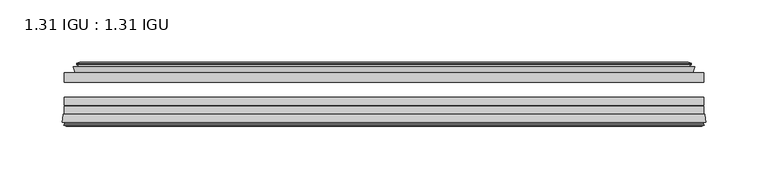
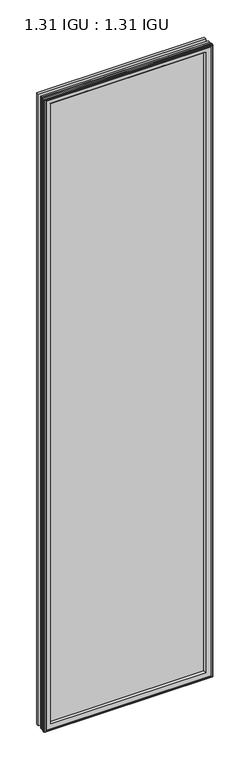
"""IFC4 building model written with IfcOpenShell, lengths in millimetres: plate geometry, 1.31 IGU : 1.31 IGU."""

from ifc_helpers import new_model, si_unit, frame, origin, place, context, project, spatial, polyline, ellipse_curve, outline, extrude, faceted_brep, source, transform, mapped, element, save
from ifc_brep_helpers import plane_surface, revolved_surface, advanced_brep


def plate_1_31_igu_1_31_igu_dabf7a0a(model_context):
    return source(origin(), model_context, "Body", "SolidModel", [
        extrude(outline(polyline([(256.3471354, -17.9712937), (256.3471354, -25.8960937), (-256.3471354, -25.8960937), (-256.3471354, -17.9712937), (256.3471354, -17.9712937)])), frame((0.0, 0.0, -19.05), z_axis=(0.0, 0.0, 1.0), x_axis=(1.0, 0.0, 0.0)), (0.0, 0.0, 1.0), 2044.7),
        extrude(outline(polyline([(-256.3471354, -51.2960937), (-256.3471354, -44.9460937), (256.3471354, -44.9460937), (256.3471354, -51.2960937), (-256.3471354, -51.2960937)])), frame((0.0, 0.0, -19.05), z_axis=(0.0, 0.0, 1.0), x_axis=(1.0, 0.0, 0.0)), (0.0, 0.0, 1.0), 2044.7),
        extrude(outline(polyline([(-256.3471354, -44.1586938), (-256.3471354, -37.8086938), (256.3471354, -37.8086938), (256.3471354, -44.1586938), (-256.3471354, -44.1586938)])), frame((0.0, 0.0, -19.05), z_axis=(0.0, 0.0, 1.0), x_axis=(1.0, 0.0, 0.0)), (0.0, 0.0, 1.0), 2044.7),
        faceted_brep([(-247.4285358, -17.9712937, 2016.7314005), (-249.0727691, -13.1960937, 2018.3756337), (-249.0727691, -13.1960937, -11.7756337), (-247.4285358, -17.9712937, -10.1314005), (-237.8178354, -13.1960937, 2007.1207), (-236.6484048, -17.9712937, 2005.9512695), (-236.6484048, -17.9712937, 0.6487305), (-237.8178354, -13.1960937, -0.5207), (-243.3825556, -10.902778, 2012.6854203), (-242.7680635, -13.1960937, 2012.0709281), (-242.7680635, -13.1960937, -5.4709281), (-243.3825556, -10.902778, -6.0854203), (-241.9903063, -11.27583, 2011.2931709), (-241.9903063, -11.27583, -4.6931709), (-241.758989, -10.4125422, 2011.0618537), (-241.758989, -10.4125422, -4.4618537), (-244.1678354, -9.7670937, 2013.4707), (-244.1678354, -9.7670937, -6.8707), (-246.5766817, -10.4125422, 2015.8795463), (-246.5766817, -10.4125422, -9.2795463), (-246.3453644, -11.27583, 2015.6482291), (-246.3453644, -11.27583, -9.0482291), (-244.9585368, -10.9042307, 2014.2614014), (-244.9585368, -10.9042307, -7.6614014), (-245.7032082, -13.1960937, 2015.0060729), (-245.7032082, -13.1960937, -8.4060729), (249.0727691, -13.1960937, -11.7756337), (247.4285358, -17.9712937, -10.1314005), (236.6484048, -17.9712937, 0.6487305), (237.8178354, -13.1960937, -0.5207), (242.7680635, -13.1960937, -5.4709281), (243.3825556, -10.902778, -6.0854203), (241.9903063, -11.27583, -4.6931709), (241.758989, -10.4125422, -4.4618537), (244.1678354, -9.7670937, -6.8707), (246.5766817, -10.4125422, -9.2795463), (246.3453644, -11.27583, -9.0482291), (244.9585368, -10.9042307, -7.6614014), (245.7032082, -13.1960937, -8.4060729), (249.0727691, -13.1960937, 2018.3756337), (247.4285358, -17.9712937, 2016.7314005), (236.6484048, -17.9712937, 2005.9512695), (237.8178354, -13.1960937, 2007.1207), (242.7680635, -13.1960937, 2012.0709281), (243.3825556, -10.902778, 2012.6854203), (241.9903063, -11.27583, 2011.2931709), (241.758989, -10.4125422, 2011.0618537), (244.1678354, -9.7670937, 2013.4707), (246.5766817, -10.4125422, 2015.8795463), (246.3453644, -11.27583, 2015.6482291), (244.9585368, -10.9042307, 2014.2614014), (245.7032082, -13.1960937, 2015.0060729)], [[[0, 1, 2, 3]], [[4, 5, 6, 7]], [[8, 9, 10, 11]], [[12, 8, 11, 13]], [[14, 12, 13, 15]], [[16, 14, 15, 17]], [[18, 16, 17, 19]], [[20, 18, 19, 21]], [[22, 20, 21, 23]], [[24, 22, 23, 25]], [[3, 2, 26, 27]], [[7, 6, 28, 29]], [[11, 10, 30, 31]], [[13, 11, 31, 32]], [[15, 13, 32, 33]], [[17, 15, 33, 34]], [[19, 17, 34, 35]], [[21, 19, 35, 36]], [[23, 21, 36, 37]], [[25, 23, 37, 38]], [[27, 26, 39, 40]], [[29, 28, 41, 42]], [[31, 30, 43, 44]], [[32, 31, 44, 45]], [[33, 32, 45, 46]], [[34, 33, 46, 47]], [[35, 34, 47, 48]], [[36, 35, 48, 49]], [[37, 36, 49, 50]], [[38, 37, 50, 51]], [[40, 39, 1, 0]], [[3, 27, 40, 0], [5, 41, 28, 6]], [[42, 41, 5, 4]], [[9, 43, 30, 10], [7, 29, 42, 4]], [[44, 43, 9, 8]], [[45, 44, 8, 12]], [[46, 45, 12, 14]], [[47, 46, 14, 16]], [[48, 47, 16, 18]], [[49, 48, 18, 20]], [[50, 49, 20, 22]], [[51, 50, 22, 24]], [[1, 39, 26, 2], [25, 38, 51, 24]]]),
        advanced_brep(
        [(-233.6598204, -51.2960937, 2002.9626851), (-237.2971354, -57.6460937, 2006.6), (-237.2971354, -57.6460937, 0.0), (-233.6598204, -51.2960937, 3.6373149), (-257.9429137, -57.6460937, 2027.2457783), (-257.1632317, -51.2960937, 2026.4660964), (-257.1632317, -51.2960937, -19.8660964), (-257.9429137, -57.6460937, -20.6457783), (-255.5429098, -59.6558685, 2024.8457744), (-256.0019366, -57.6460937, 2025.3048013), (-256.0019366, -57.6460937, -18.7048013), (-255.5429098, -59.6558685, -18.2457744), (-256.5265941, -59.3738016, 2025.8294588), (-256.5265941, -59.3738016, -19.2294588), (-256.7800786, -60.2578071, 2026.0829433), (-256.7800786, -60.2578071, -19.4829433), (-254.7571351, -60.8378768, 2024.0599998), (-254.7571351, -60.8378768, -17.4599998), (-252.7134743, -60.2902795, 2022.0163389), (-252.7134743, -60.2902795, -15.4163389), (-252.9583436, -59.3764147, 2022.2612083), (-252.9583436, -59.3764147, -15.6612083), (-253.9809774, -59.6504286, 2023.2838421), (-253.9809774, -59.6504286, -16.6838421), (-253.5182403, -57.6460937, 2022.8211049), (-253.5182403, -57.6460937, -16.2211049), (237.2971354, -57.6460938, 0.0), (233.6598204, -51.2960937, 3.6373149), (257.1632317, -51.2960937, -19.8660964), (257.9429137, -57.6460938, -20.6457783), (256.0019366, -57.6460938, -18.7048013), (255.5429098, -59.6558685, -18.2457744), (256.5265941, -59.3738016, -19.2294588), (256.7800786, -60.2578071, -19.4829433), (254.7571351, -60.8378768, -17.4599998), (252.7134743, -60.2902795, -15.4163389), (252.9583436, -59.3764147, -15.6612083), (253.9809774, -59.6504286, -16.6838421), (253.5182403, -57.6460938, -16.2211049), (237.2971354, -57.6460938, 2006.6), (233.6598204, -51.2960937, 2002.9626851), (257.1632317, -51.2960937, 2026.4660964), (257.9429137, -57.6460938, 2027.2457783), (256.0019366, -57.6460938, 2025.3048013), (255.5429098, -59.6558685, 2024.8457744), (256.5265941, -59.3738016, 2025.8294588), (256.7800786, -60.2578071, 2026.0829433), (254.7571351, -60.8378768, 2024.0599998), (252.7134743, -60.2902795, 2022.0163389), (252.9583436, -59.3764147, 2022.2612083), (253.9809774, -59.6504286, 2023.2838421), (253.5182403, -57.6460938, 2022.8211049)],
        [
            (0, 1, ellipse_curve(frame((-228.8661903, -58.2586484, 1998.169055), z_axis=(0.7071067811865475, 0.0, 0.7071067811865475), x_axis=(0.7071067811865474, 0.0, -0.7071067811865476)), 11.9545855, 8.4531685)),
            (1, 2),
            (2, 3, ellipse_curve(frame((-228.8661903, -58.2586484, 8.430945), z_axis=(0.7071067811865475, 0.0, -0.7071067811865475), x_axis=(-0.7071067811865474, 0.0, -0.7071067811865476)), 11.9545855, 8.4531685)),
            (3, 0),
            (4, 5),
            (5, 6),
            (6, 7),
            (7, 4),
            (8, 9),
            (9, 10),
            (10, 11),
            (11, 8),
            (12, 8),
            (11, 13),
            (13, 12),
            (14, 12),
            (13, 15),
            (15, 14),
            (16, 14),
            (15, 17),
            (17, 16),
            (18, 16),
            (17, 19),
            (19, 18),
            (20, 18),
            (19, 21),
            (21, 20),
            (22, 20),
            (21, 23),
            (23, 22),
            (24, 22),
            (23, 25),
            (25, 24),
            (2, 26),
            (26, 27, ellipse_curve(frame((228.8661903, -58.2586484, 8.430945), z_axis=(0.7071067811865475, 0.0, 0.7071067811865475), x_axis=(0.7071067811865476, 0.0, -0.7071067811865474)), 11.9545855, 8.4531685)),
            (27, 3),
            (6, 28),
            (28, 29),
            (29, 7),
            (10, 30),
            (30, 31),
            (31, 11),
            (31, 32),
            (32, 13),
            (32, 33),
            (33, 15),
            (33, 34),
            (34, 17),
            (34, 35),
            (35, 19),
            (35, 36),
            (36, 21),
            (36, 37),
            (37, 23),
            (37, 38),
            (38, 25),
            (26, 39),
            (39, 40, ellipse_curve(frame((228.8661903, -58.2586484, 1998.169055), z_axis=(-0.7071067811865475, 0.0, 0.7071067811865475), x_axis=(0.7071067811865474, 0.0, 0.7071067811865476)), 11.9545855, 8.4531685)),
            (40, 27),
            (28, 41),
            (41, 42),
            (42, 29),
            (30, 43),
            (43, 44),
            (44, 31),
            (44, 45),
            (45, 32),
            (45, 46),
            (46, 33),
            (46, 47),
            (47, 34),
            (47, 48),
            (48, 35),
            (48, 49),
            (49, 36),
            (49, 50),
            (50, 37),
            (50, 51),
            (51, 38),
            (51, 24),
            (1, 39),
            (0, 40),
            (5, 41),
            (4, 42),
            (9, 43),
            (8, 44),
            (12, 45),
            (14, 46),
            (16, 47),
            (18, 48),
            (20, 49),
            (22, 50),
        ],
        [
            revolved_surface(polyline([(-237.3193588, -58.2586484, -0.02222347332440222), (-237.3193588, -58.2586484, 2006.6222234733245)]), (-228.8661903, -58.2586484, 2038.35), (0.0, 0.0, -1.0)),
            plane_surface(frame((-257.1632317, -51.2960937, 2026.4660964), z_axis=(-0.9925461516413234, 0.12186934340513637, 0.0), x_axis=(0.0, 0.0, -1.0))),
            plane_surface(frame((-256.0019366, -57.6460937, 2025.3048013), z_axis=(-0.9748953990049445, -0.22266333555165796, 0.0), x_axis=(0.0, 0.0, -1.0))),
            plane_surface(frame((-255.5429098, -59.6558685, 2024.8457744), z_axis=(0.27563735581726606, 0.9612616959382424, 0.0), x_axis=(0.0, 0.0, -1.0))),
            plane_surface(frame((-256.5265941, -59.3738016, 2025.8294588), z_axis=(-0.9612616959382463, 0.2756373558172523, 0.0), x_axis=(0.0, 0.0, -1.0))),
            plane_surface(frame((-256.7800786, -60.2578071, 2026.0829433), z_axis=(-0.2756373558170135, -0.9612616959383148, 0.0), x_axis=(0.0, 0.0, -1.0))),
            plane_surface(frame((-254.7571351, -60.8378768, 2024.0599998), z_axis=(0.25881904510226056, -0.965925826289138, 0.0), x_axis=(0.0, 0.0, -1.0))),
            plane_surface(frame((-252.7134743, -60.2902795, 2022.0163389), z_axis=(0.9659258262891444, 0.25881904510223736, 0.0), x_axis=(0.0, 0.0, -1.0))),
            plane_surface(frame((-252.9583436, -59.3764147, 2022.2612083), z_axis=(-0.2588190451025015, 0.9659258262890735, 0.0), x_axis=(0.0, 0.0, -1.0))),
            plane_surface(frame((-253.9809774, -59.6504286, 2023.2838421), z_axis=(0.9743700647852117, -0.22495105434396695, 0.0), x_axis=(0.0, 0.0, -1.0))),
            revolved_surface(polyline([(237.31935877332432, -58.2586484, -0.02222350000000084), (-237.31935877332438, -58.2586484, -0.02222350000000084)]), (-269.0471354, -58.2586484, 8.430945), (1.0, 0.0, 0.0)),
            plane_surface(frame((-257.1632317, -51.2960937, -19.8660964), z_axis=(0.0, 0.12186934340513315, -0.9925461516413239), x_axis=(1.0, 0.0, 0.0))),
            plane_surface(frame((-256.0019366, -57.6460937, -18.7048013), z_axis=(0.0, -0.22266333555166112, -0.9748953990049438), x_axis=(1.0, 0.0, 0.0))),
            plane_surface(frame((-255.5429098, -59.6558685, -18.2457744), z_axis=(0.0, 0.9612616959382433, 0.27563735581726295), x_axis=(1.0, 0.0, 0.0))),
            plane_surface(frame((-256.5265941, -59.3738016, -19.2294588), z_axis=(0.0, 0.2756373558172492, -0.9612616959382472), x_axis=(1.0, 0.0, 0.0))),
            plane_surface(frame((-256.7800786, -60.2578071, -19.4829433), z_axis=(0.0, -0.9612616959383157, -0.2756373558170104), x_axis=(1.0, 0.0, 0.0))),
            plane_surface(frame((-254.7571351, -60.8378768, -17.4599998), z_axis=(0.0, -0.9659258262891373, 0.2588190451022637), x_axis=(1.0, 0.0, 0.0))),
            plane_surface(frame((-252.7134743, -60.2902795, -15.4163389), z_axis=(0.0, 0.25881904510224046, 0.9659258262891435), x_axis=(1.0, 0.0, 0.0))),
            plane_surface(frame((-252.9583436, -59.3764147, -15.6612083), z_axis=(0.0, 0.9659258262890726, -0.2588190451025046), x_axis=(1.0, 0.0, 0.0))),
            plane_surface(frame((-253.9809774, -59.6504286, -16.6838421), z_axis=(0.0, -0.22495105434396379, 0.9743700647852125), x_axis=(1.0, 0.0, 0.0))),
            revolved_surface(polyline([(237.3193588, -58.2586484, 2006.6222234733245), (237.3193588, -58.2586484, -0.022223473324370246)]), (228.8661903, -58.2586484, -31.75), (0.0, 0.0, 1.0)),
            plane_surface(frame((257.1632317, -51.2960937, -19.8660964), z_axis=(0.9925461516413243, 0.12186934340512993, 0.0), x_axis=(0.0, 0.0, 1.0))),
            plane_surface(frame((256.0019366, -57.6460938, -18.7048013), z_axis=(0.9748953990049432, -0.2226633355516643, 0.0), x_axis=(0.0, 0.0, 1.0))),
            plane_surface(frame((255.5429098, -59.6558685, -18.2457744), z_axis=(-0.27563735581725984, 0.9612616959382442, 0.0), x_axis=(0.0, 0.0, 1.0))),
            plane_surface(frame((256.5265941, -59.3738016, -19.2294588), z_axis=(0.9612616959382481, 0.2756373558172461, 0.0), x_axis=(0.0, 0.0, 1.0))),
            plane_surface(frame((256.7800786, -60.2578071, -19.4829433), z_axis=(0.27563735581700727, -0.9612616959383166, 0.0), x_axis=(0.0, 0.0, 1.0))),
            plane_surface(frame((254.7571351, -60.8378768, -17.4599998), z_axis=(-0.25881904510226683, -0.9659258262891364, 0.0), x_axis=(0.0, 0.0, 1.0))),
            plane_surface(frame((252.7134743, -60.2902795, -15.4163389), z_axis=(-0.9659258262891426, 0.2588190451022436, 0.0), x_axis=(0.0, 0.0, 1.0))),
            plane_surface(frame((252.9583436, -59.3764147, -15.6612083), z_axis=(0.2588190451025077, 0.9659258262890718, 0.0), x_axis=(0.0, 0.0, 1.0))),
            plane_surface(frame((253.9809774, -59.6504286, -16.6838421), z_axis=(-0.9743700647852133, -0.22495105434396062, 0.0), x_axis=(0.0, 0.0, 1.0))),
            plane_surface(frame((253.5182403, -57.6460938, 2022.8211049), z_axis=(0.0, -1.0, 0.0), x_axis=(-1.0, 0.0, 0.0))),
            revolved_surface(polyline([(-237.31935877332432, -58.2586484, 2006.6222235), (237.31935877332438, -58.2586484, 2006.6222235)]), (269.0471354, -58.2586484, 1998.169055), (-1.0, 0.0, 0.0)),
            plane_surface(frame((233.6598204, -51.2960937, 2002.9626851), z_axis=(0.0, 1.0, 0.0), x_axis=(-1.0, 0.0, 0.0))),
            plane_surface(frame((257.1632317, -51.2960937, 2026.4660964), z_axis=(0.0, 0.12186934340513315, 0.9925461516413239), x_axis=(-1.0, 0.0, 0.0))),
            plane_surface(frame((257.9429137, -57.6460938, 2027.2457783), z_axis=(0.0, -1.0, 0.0), x_axis=(-1.0, 0.0, 0.0))),
            plane_surface(frame((256.0019366, -57.6460938, 2025.3048013), z_axis=(0.0, -0.22266333555166112, 0.9748953990049438), x_axis=(-1.0, 0.0, 0.0))),
            plane_surface(frame((255.5429098, -59.6558685, 2024.8457744), z_axis=(0.0, 0.9612616959382433, -0.27563735581726295), x_axis=(-1.0, 0.0, 0.0))),
            plane_surface(frame((256.5265941, -59.3738016, 2025.8294588), z_axis=(0.0, 0.2756373558172492, 0.9612616959382472), x_axis=(-1.0, 0.0, 0.0))),
            plane_surface(frame((256.7800786, -60.2578071, 2026.0829433), z_axis=(0.0, -0.9612616959383157, 0.2756373558170104), x_axis=(-1.0, 0.0, 0.0))),
            plane_surface(frame((254.7571351, -60.8378768, 2024.0599998), z_axis=(0.0, -0.9659258262891373, -0.2588190451022637), x_axis=(-1.0, 0.0, 0.0))),
            plane_surface(frame((252.7134743, -60.2902795, 2022.0163389), z_axis=(0.0, 0.25881904510224046, -0.9659258262891435), x_axis=(-1.0, 0.0, 0.0))),
            plane_surface(frame((252.9583436, -59.3764147, 2022.2612083), z_axis=(0.0, 0.9659258262890726, 0.2588190451025046), x_axis=(-1.0, 0.0, 0.0))),
            plane_surface(frame((253.9809774, -59.6504286, 2023.2838421), z_axis=(0.0, -0.22495105434396379, -0.9743700647852125), x_axis=(-1.0, 0.0, 0.0))),
        ],
        [
            (0, [[1, 2, 3, 4]]),
            (1, [[5, 6, 7, 8]]),
            (2, [[9, 10, 11, 12]]),
            (3, [[13, -12, 14, 15]]),
            (4, [[16, -15, 17, 18]]),
            (5, [[19, -18, 20, 21]]),
            (6, [[22, -21, 23, 24]]),
            (7, [[25, -24, 26, 27]]),
            (8, [[28, -27, 29, 30]]),
            (9, [[31, -30, 32, 33]]),
            (10, [[-3, 34, 35, 36]]),
            (11, [[-7, 37, 38, 39]]),
            (12, [[-11, 40, 41, 42]]),
            (13, [[-14, -42, 43, 44]]),
            (14, [[-17, -44, 45, 46]]),
            (15, [[-20, -46, 47, 48]]),
            (16, [[-23, -48, 49, 50]]),
            (17, [[-26, -50, 51, 52]]),
            (18, [[-29, -52, 53, 54]]),
            (19, [[-32, -54, 55, 56]]),
            (20, [[-35, 57, 58, 59]]),
            (21, [[-38, 60, 61, 62]]),
            (22, [[-41, 63, 64, 65]]),
            (23, [[-43, -65, 66, 67]]),
            (24, [[-45, -67, 68, 69]]),
            (25, [[-47, -69, 70, 71]]),
            (26, [[-49, -71, 72, 73]]),
            (27, [[-51, -73, 74, 75]]),
            (28, [[-53, -75, 76, 77]]),
            (29, [[-55, -77, 78, 79]]),
            (30, [[-56, -79, 80, -33], [81, -57, -34, -2]]),
            (31, [[-58, -81, -1, 82]]),
            (32, [[83, -60, -37, -6], [-36, -59, -82, -4]]),
            (33, [[-61, -83, -5, 84]]),
            (34, [[-39, -62, -84, -8], [85, -63, -40, -10]]),
            (35, [[-64, -85, -9, 86]]),
            (36, [[-66, -86, -13, 87]]),
            (37, [[-68, -87, -16, 88]]),
            (38, [[-70, -88, -19, 89]]),
            (39, [[-72, -89, -22, 90]]),
            (40, [[-74, -90, -25, 91]]),
            (41, [[-76, -91, -28, 92]]),
            (42, [[-78, -92, -31, -80]]),
        ],
    ),
    ])


if __name__ == "__main__":
    model = new_model("IFC4")
    model_context = context("Model", 3, world=origin())
    ifc_project = project(units=[si_unit("LENGTHUNIT", "METRE", prefix="MILLI")], contexts=[model_context])
    site = spatial("IfcSite", under=ifc_project)
    building = spatial("IfcBuilding", under=site)
    placement = place(None, origin())
    plate_1_31_igu_1_31_igu_shape = plate_1_31_igu_1_31_igu_dabf7a0a(model_context)
    element("IfcPlate", 1, ObjectType="1.31 IGU : 1.31 IGU", at=placement, inside=building, context=model_context, shape_type="MappedRepresentation", body=[
        mapped(plate_1_31_igu_1_31_igu_shape, transform((0.0, 0.0, 0.0), x_axis=(1.0, 0.0, 0.0), y_axis=(0.0, 1.0, 0.0), z_axis=(0.0, 0.0, 1.0))),
    ])
    save(model, "model.ifc")
